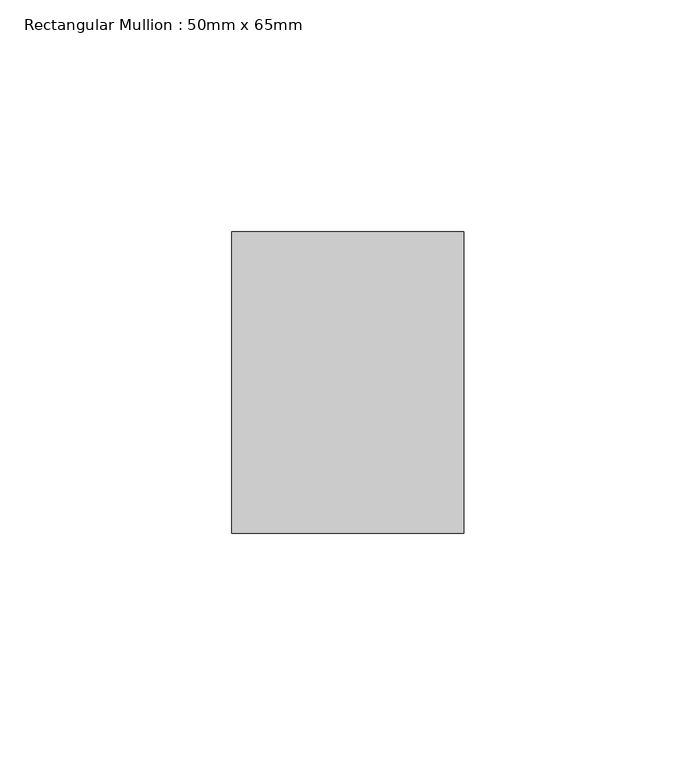
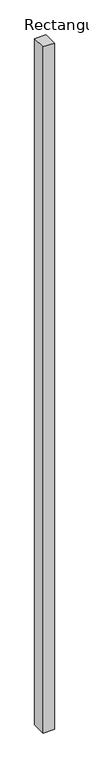
"""IFC4 building model written with IfcOpenShell, lengths in millimetres: member geometry, Rectangular Mullion : 50mm x 65mm."""

from ifc_helpers import new_model, si_unit, frame, origin, place, context, project, spatial, polyline, outline, extrude, source, transform, mapped, element, save


def rectangular_mullion_50mm_x_65mm_48da0c52(model_context):
    return source(origin(), model_context, "Body", "SweptSolid", [
        extrude(outline(polyline([(25.0, 32.5), (25.0, -32.5), (-25.0, -32.5), (-25.0, 32.5), (25.0, 32.5)])), frame((0.0, 0.0, -3235.2677627), z_axis=(0.0, 0.0, 1.0), x_axis=(1.0, 0.0, 0.0)), (0.0, 0.0, 1.0), 3235.2677627),
    ])


if __name__ == "__main__":
    model = new_model("IFC4")
    model_context = context("Model", 3, world=origin())
    ifc_project = project(units=[si_unit("LENGTHUNIT", "METRE", prefix="MILLI")], contexts=[model_context])
    site = spatial("IfcSite", under=ifc_project)
    building = spatial("IfcBuilding", under=site)
    placement = place(None, origin())
    rectangular_mullion_50mm_x_65mm_shape = rectangular_mullion_50mm_x_65mm_48da0c52(model_context)
    element("IfcMember", 1, ObjectType="Rectangular Mullion : 50mm x 65mm", at=placement, inside=building, context=model_context, shape_type="MappedRepresentation", body=[
        mapped(rectangular_mullion_50mm_x_65mm_shape, transform((0.0, 0.0, 0.0), x_axis=(1.0, 0.0, 0.0), y_axis=(0.0, 1.0, 0.0), z_axis=(0.0, 0.0, 1.0))),
    ])
    save(model, "model.ifc")
